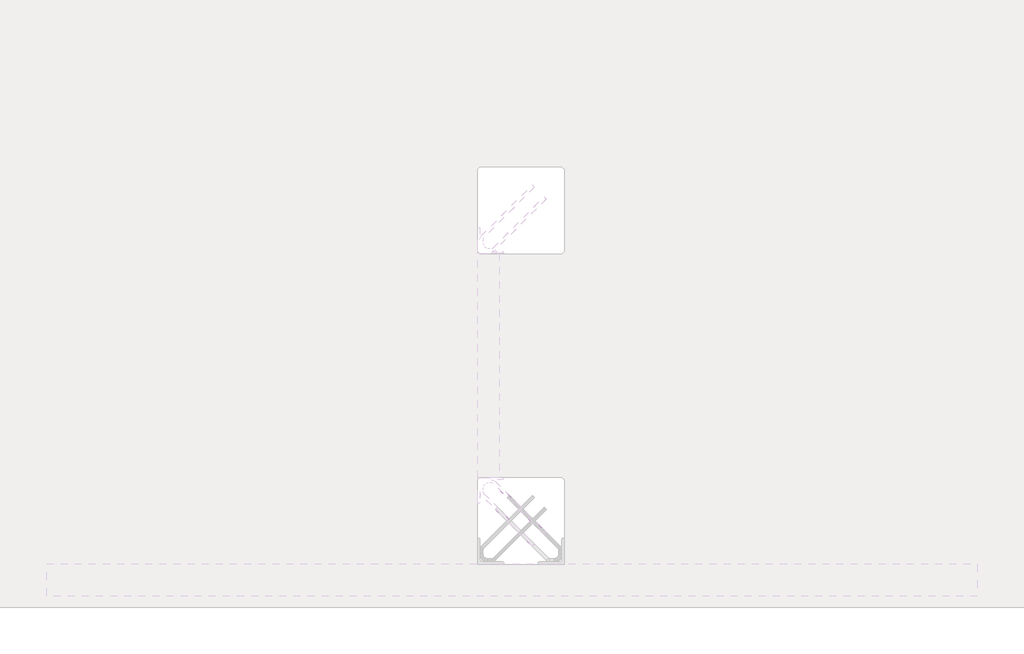
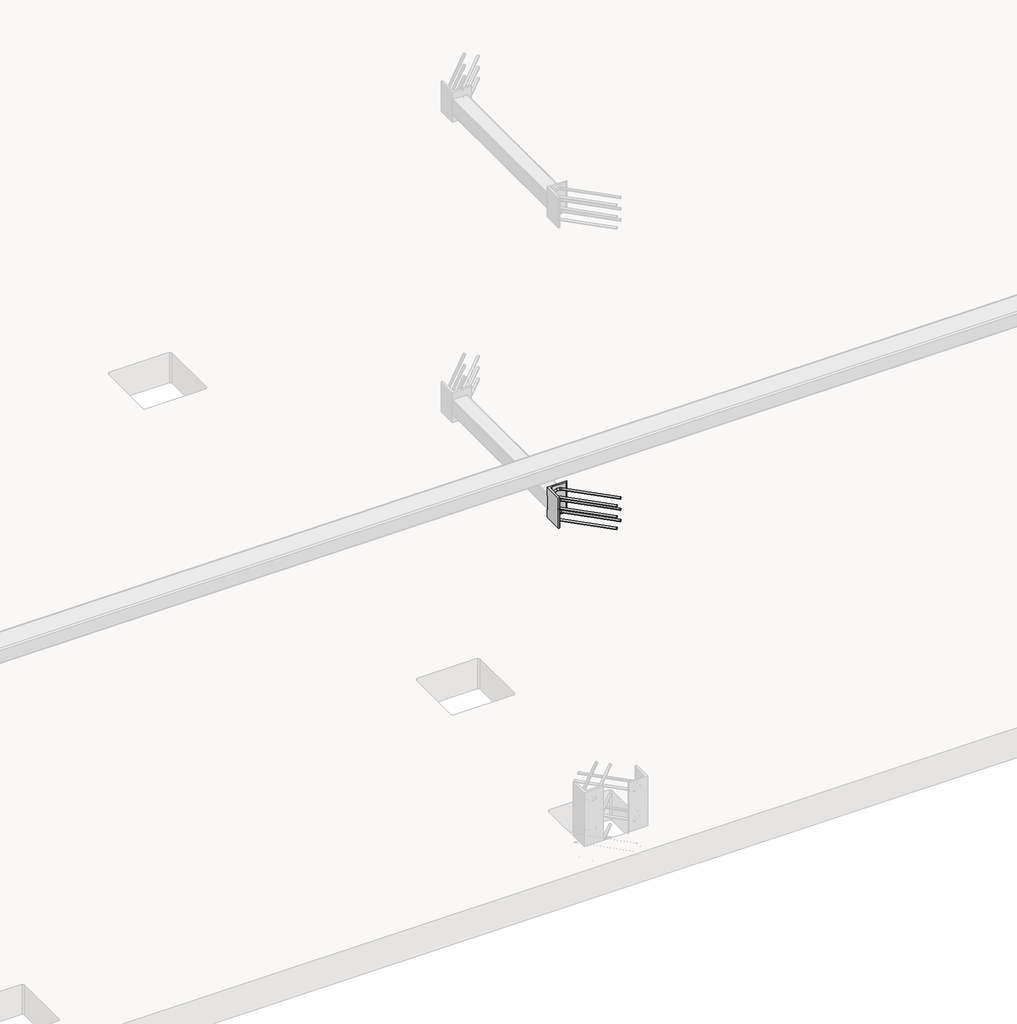
# One storey, part 10 of 65: 1 fastener.
"""IFC4 building model written with IfcOpenShell, lengths in millimetres."""

from ifc_helpers import new_model, si_unit, point, frame, frame_2d, origin, place, context, project, spatial, polyline, circle_curve, ellipse_curve, trimmed, segment, composite_curve, outline, extrude, element, save
from ifc_brep_helpers import plane_surface, cylinder_surface, revolved_surface, advanced_brep

model = new_model("IFC4")

# Units and contexts
model_context = context("Model", 3, world=origin())
ifc_project = project(units=[si_unit("LENGTHUNIT", "METRE", prefix="MILLI")], contexts=[model_context])

# Site, building, storey
site = spatial("IfcSite", under=ifc_project)
building = spatial("IfcBuilding", under=site)
storey = spatial("IfcBuildingStorey", under=building, Elevation=0.0)

# Fastener
placement = place(None, origin())
element("IfcFastener", 1, at=placement, inside=storey, context=model_context, shape_type="SolidModel", body=[
    extrude(outline(composite_curve([segment(polyline([(20650.0, 10200.0), (20770.0, 10200.0), (20770.0, 10196.5)]), True, "CONTINUOUS"), segment(trimmed(circle_curve(frame_2d((20763.5, 10196.5)), 6.5), [point((20770.0, 10196.5))], [point((20763.5, 10190.0))], False, "CARTESIAN"), True, "CONTINUOUS"), segment(polyline([(20763.5, 10190.0), (20673.0, 10190.0)]), True, "CONTINUOUS"), segment(trimmed(circle_curve(frame_2d((20673.0, 10177.0)), 13.0), [point((20673.0, 10190.0))], [point((20660.0, 10177.0))], True, "CARTESIAN"), True, "CONTINUOUS"), segment(polyline([(20660.0, 10177.0), (20660.0, 10086.5)]), True, "CONTINUOUS"), segment(trimmed(circle_curve(frame_2d((20653.5, 10086.5)), 6.5), [point((20660.0, 10086.5))], [point((20653.5, 10080.0))], False, "CARTESIAN"), True, "CONTINUOUS"), segment(polyline([(20653.5, 10080.0), (20650.0, 10080.0), (20650.0, 10200.0)]), True, "CONTINUOUS")], self_intersect=False)), frame((0.0, 0.0, 1950.0), z_axis=(0.0, 0.0, 1.0), x_axis=(1.0, 0.0, 0.0)), (0.0, 0.0, 1.0), 200.0),
    advanced_brep(
    [(20902.5376259, 9882.5628791, 2125.0), (20912.4371209, 9892.4623741, 2125.0), (20967.4371209, 9947.4623741, 2125.0), (20957.5376259, 9937.5628791, 2125.0), (20697.0, 10176.0, 2125.0), (20697.0, 10190.0, 2125.0), (20715.7867966, 10190.0, 2125.0), (20715.7867966, 10176.0, 2125.0), (20674.0, 10153.0, 2125.0), (20660.0, 10153.0, 2125.0), (20674.0, 10134.2132034, 2125.0), (20660.0, 10134.2132034, 2125.0), (20666.4436508, 10118.6568542, 2125.0), (20676.3431458, 10128.5563492, 2125.0), (20721.4436508, 10173.6568542, 2125.0), (20731.3431458, 10183.5563492, 2125.0)],
    [
        (0, 1, circle_curve(frame((20907.4873734, 9887.5126266, 2125.0), z_axis=(0.7071067811865459, -0.7071067811865493, 0.0), x_axis=(0.7071067811865493, 0.7071067811865459, 0.0)), 7.0)),
        (1, 0, circle_curve(frame((20907.4873734, 9887.5126266, 2125.0), z_axis=(0.7071067811865459, -0.7071067811865493, 0.0), x_axis=(0.7071067811865493, 0.7071067811865459, 0.0)), 7.0)),
        (2, 3, circle_curve(frame((20962.4873734, 9942.5126266, 2125.0), z_axis=(0.7071067811865457, -0.7071067811865493, 0.0), x_axis=(-0.7071067811865493, -0.7071067811865457, 0.0)), 7.0)),
        (3, 2, circle_curve(frame((20962.4873734, 9942.5126266, 2125.0), z_axis=(0.7071067811865457, -0.7071067811865493, 0.0), x_axis=(-0.7071067811865493, -0.7071067811865457, 0.0)), 7.0)),
        (4, 5, circle_curve(frame((20697.0, 10183.0, 2125.0), z_axis=(1.0, 0.0, 0.0), x_axis=(0.0, -1.0, 0.0)), 7.0)),
        (5, 6),
        (6, 7, circle_curve(frame((20715.7867966, 10183.0, 2125.0), z_axis=(-1.0, 0.0, 0.0), x_axis=(0.0, -1.0, 0.0)), 7.0)),
        (7, 4),
        (5, 4, circle_curve(frame((20697.0, 10183.0, 2125.0), z_axis=(1.0, 0.0, 0.0), x_axis=(0.0, -1.0, 0.0)), 7.0)),
        (7, 6, circle_curve(frame((20715.7867966, 10183.0, 2125.0), z_axis=(-1.0, 0.0, 0.0), x_axis=(0.0, -1.0, 0.0)), 7.0)),
        (4, 8, circle_curve(frame((20697.0, 10153.0, 2125.0), z_axis=(0.0, 0.0, 1.0), x_axis=(-1.0, 0.0, 0.0)), 23.0)),
        (8, 9, circle_curve(frame((20667.0, 10153.0, 2125.0), z_axis=(0.0, 1.0, 0.0), x_axis=(1.0, 0.0, 0.0)), 7.0)),
        (9, 5, circle_curve(frame((20697.0, 10153.0, 2125.0), z_axis=(0.0, 0.0, -1.0), x_axis=(-1.0, 0.0, 0.0)), 37.0)),
        (9, 8, circle_curve(frame((20667.0, 10153.0, 2125.0), z_axis=(0.0, 1.0, 0.0), x_axis=(1.0, 0.0, 0.0)), 7.0)),
        (10, 11, circle_curve(frame((20667.0, 10134.2132034, 2125.0), z_axis=(0.0, 1.0, 0.0), x_axis=(1.0, 0.0, 0.0)), 7.0)),
        (11, 9),
        (8, 10),
        (11, 10, circle_curve(frame((20667.0, 10134.2132034, 2125.0), z_axis=(0.0, 1.0, 0.0), x_axis=(1.0, 0.0, 0.0)), 7.0)),
        (0, 12),
        (12, 13, circle_curve(frame((20671.3933983, 10123.6066017, 2125.0), z_axis=(0.7071067811865459, -0.7071067811865493, 0.0), x_axis=(0.7071067811865493, 0.7071067811865459, 0.0)), 7.0)),
        (13, 1),
        (13, 12, circle_curve(frame((20671.3933983, 10123.6066017, 2125.0), z_axis=(0.7071067811865459, -0.7071067811865493, 0.0), x_axis=(0.7071067811865493, 0.7071067811865459, 0.0)), 7.0)),
        (10, 13, circle_curve(frame((20682.0, 10134.2132034, 2125.0), z_axis=(0.0, 0.0, 1.0), x_axis=(-0.7071067811865491, -0.7071067811865459, 0.0)), 8.0)),
        (12, 11, circle_curve(frame((20682.0, 10134.2132034, 2125.0), z_axis=(0.0, 0.0, -1.0), x_axis=(-0.7071067811865491, -0.7071067811865459, 0.0)), 22.0)),
        (14, 7, circle_curve(frame((20715.7867966, 10168.0, 2125.0), z_axis=(0.0, 0.0, 1.0), x_axis=(0.0, 1.0, 0.0)), 8.0)),
        (6, 15, circle_curve(frame((20715.7867966, 10168.0, 2125.0), z_axis=(0.0, 0.0, -1.0), x_axis=(0.0, 1.0, 0.0)), 22.0)),
        (15, 14, circle_curve(frame((20726.3933983, 10178.6066017, 2125.0), z_axis=(-0.7071067811865456, 0.7071067811865495, 0.0), x_axis=(-0.7071067811865495, -0.7071067811865456, 0.0)), 7.0)),
        (14, 15, circle_curve(frame((20726.3933983, 10178.6066017, 2125.0), z_axis=(-0.707106781186545, 0.70710678118655, 0.0), x_axis=(-0.70710678118655, -0.707106781186545, 0.0)), 7.0)),
        (15, 2),
        (3, 14),
    ],
    [
        plane_surface(frame((20907.4873734, 9887.5126266, 2125.0), z_axis=(0.7071067811865459, -0.7071067811865493, 0.0), x_axis=(0.0, 0.0, -1.0))),
        plane_surface(frame((20962.4873734, 9942.5126266, 2125.0), z_axis=(0.7071067811865457, -0.7071067811865493, 0.0), x_axis=(0.0, 0.0, -1.0))),
        cylinder_surface(frame((20697.0, 10183.0, 2125.0), z_axis=(-1.0, 0.0, 0.0), x_axis=(0.0, -1.0, 0.0)), 7.0),
        revolved_surface(trimmed(ellipse_curve(frame((20667.0, 10153.0, 2125.0), z_axis=(0.0, -1.0, 0.0), x_axis=(1.0, 0.0, 0.0)), 7.0, 7.0), [point((20660.0, 10153.0, 2125.0))], [point((20674.0, 10153.0, 2125.0))], True, "CARTESIAN"), (20697.0, 10153.0, 2125.0), (0.0, 0.0, -1.0)),
        revolved_surface(trimmed(ellipse_curve(frame((20667.0, 10153.0, 2125.0), z_axis=(0.0, -1.0, 0.0), x_axis=(1.0, 0.0, 0.0)), 7.0, 7.0), [point((20674.0, 10153.0, 2125.0))], [point((20660.0, 10153.0, 2125.0))], True, "CARTESIAN"), (20697.0, 10153.0, 2125.0), (0.0, 0.0, -1.0)),
        cylinder_surface(frame((20667.0, 10134.2132034, 2125.0), z_axis=(0.0, -1.0, 0.0), x_axis=(1.0, 0.0, 0.0)), 7.0),
        cylinder_surface(frame((20907.4873734, 9887.5126266, 2125.0), z_axis=(0.7071067811865459, -0.7071067811865493, 0.0), x_axis=(0.7071067811865493, 0.7071067811865459, 0.0)), 7.0),
        revolved_surface(trimmed(ellipse_curve(frame((20671.3933983, 10123.6066017, 2125.0), z_axis=(0.7071067811865459, -0.7071067811865491, 0.0), x_axis=(0.7071067811865491, 0.7071067811865459, 0.0)), 7.0, 7.0), [point((20666.4436508, 10118.6568542, 2125.0))], [point((20676.3431458, 10128.5563492, 2125.0))], True, "CARTESIAN"), (20682.0, 10134.2132034, 2125.0), (0.0, 0.0, -1.0)),
        revolved_surface(trimmed(ellipse_curve(frame((20671.3933983, 10123.6066017, 2125.0), z_axis=(0.7071067811865459, -0.7071067811865491, 0.0), x_axis=(0.7071067811865491, 0.7071067811865459, 0.0)), 7.0, 7.0), [point((20676.3431458, 10128.5563492, 2125.0))], [point((20666.4436508, 10118.6568542, 2125.0))], True, "CARTESIAN"), (20682.0, 10134.2132034, 2125.0), (0.0, 0.0, -1.0)),
        revolved_surface(trimmed(ellipse_curve(frame((20715.7867966, 10183.0, 2125.0), z_axis=(-1.0, 0.0, 0.0), x_axis=(0.0, -1.0, 0.0)), 7.0, 7.0), [point((20715.7867966, 10190.0, 2125.0))], [point((20715.7867966, 10176.0, 2125.0))], True, "CARTESIAN"), (20715.7867966, 10168.0, 2125.0), (0.0, 0.0, -1.0)),
        revolved_surface(trimmed(ellipse_curve(frame((20715.7867966, 10183.0, 2125.0), z_axis=(-1.0, 0.0, 0.0), x_axis=(0.0, -1.0, 0.0)), 7.0, 7.0), [point((20715.7867966, 10176.0, 2125.0))], [point((20715.7867966, 10190.0, 2125.0))], True, "CARTESIAN"), (20715.7867966, 10168.0, 2125.0), (0.0, 0.0, -1.0)),
        cylinder_surface(frame((20726.3933983, 10178.6066017, 2125.0), z_axis=(-0.7071067811865457, 0.7071067811865493, 0.0), x_axis=(-0.7071067811865493, -0.7071067811865457, 0.0)), 7.0),
    ],
    [
        (0, [[1, 2]]),
        (1, [[3, 4]]),
        (2, [[5, 6, 7, 8]]),
        (2, [[9, -8, 10, -6]]),
        (3, [[11, 12, 13, -5]]),
        (4, [[-13, 14, -11, -9]]),
        (5, [[15, 16, -12, 17]]),
        (5, [[18, -17, -14, -16]]),
        (6, [[-1, 19, 20, 21]]),
        (6, [[-2, -21, 22, -19]]),
        (7, [[23, -20, 24, -15]]),
        (8, [[-24, -22, -23, -18]]),
        (9, [[25, -7, 26, 27]]),
        (10, [[-26, -10, -25, 28]]),
        (11, [[-27, 29, -4, 30]]),
        (11, [[-28, -30, -3, -29]]),
    ],
),
    advanced_brep(
    [(20912.4371209, 9892.4623741, 1975.0), (20902.5376259, 9882.5628791, 1975.0), (20957.5376259, 9937.5628791, 1975.0), (20967.4371209, 9947.4623741, 1975.0), (20697.0, 10190.0, 1975.0), (20697.0, 10176.0, 1975.0), (20715.7867966, 10176.0, 1975.0), (20715.7867966, 10190.0, 1975.0), (20660.0, 10153.0, 1975.0), (20674.0, 10153.0, 1975.0), (20660.0, 10134.2132034, 1975.0), (20674.0, 10134.2132034, 1975.0), (20676.3431458, 10128.5563492, 1975.0), (20666.4436508, 10118.6568542, 1975.0), (20731.3431458, 10183.5563492, 1975.0), (20721.4436508, 10173.6568542, 1975.0)],
    [
        (0, 1, circle_curve(frame((20907.4873734, 9887.5126266, 1975.0), z_axis=(0.7071067811865459, -0.7071067811865493, 0.0), x_axis=(-0.7071067811865493, -0.7071067811865459, 0.0)), 7.0)),
        (1, 0, circle_curve(frame((20907.4873734, 9887.5126266, 1975.0), z_axis=(0.7071067811865459, -0.7071067811865493, 0.0), x_axis=(-0.7071067811865493, -0.7071067811865459, 0.0)), 7.0)),
        (2, 3, circle_curve(frame((20962.4873734, 9942.5126266, 1975.0), z_axis=(0.7071067811865458, -0.7071067811865493, 0.0), x_axis=(0.7071067811865493, 0.7071067811865458, 0.0)), 7.0)),
        (3, 2, circle_curve(frame((20962.4873734, 9942.5126266, 1975.0), z_axis=(0.7071067811865458, -0.7071067811865493, 0.0), x_axis=(0.7071067811865493, 0.7071067811865458, 0.0)), 7.0)),
        (4, 5, circle_curve(frame((20697.0, 10183.0, 1975.0), z_axis=(1.0, 0.0, 0.0), x_axis=(0.0, 1.0, 0.0)), 7.0)),
        (5, 6),
        (6, 7, circle_curve(frame((20715.7867966, 10183.0, 1975.0), z_axis=(-1.0, 0.0, 0.0), x_axis=(0.0, 1.0, 0.0)), 7.0)),
        (7, 4),
        (5, 4, circle_curve(frame((20697.0, 10183.0, 1975.0), z_axis=(1.0, 0.0, 0.0), x_axis=(0.0, 1.0, 0.0)), 7.0)),
        (7, 6, circle_curve(frame((20715.7867966, 10183.0, 1975.0), z_axis=(-1.0, 0.0, 0.0), x_axis=(0.0, 1.0, 0.0)), 7.0)),
        (4, 8, circle_curve(frame((20697.0, 10153.0, 1975.0), z_axis=(0.0, 0.0, 1.0), x_axis=(-1.0, 0.0, 0.0)), 37.0)),
        (8, 9, circle_curve(frame((20667.0, 10153.0, 1975.0), z_axis=(0.0, 1.0, 0.0), x_axis=(-1.0, 0.0, 0.0)), 7.0)),
        (9, 5, circle_curve(frame((20697.0, 10153.0, 1975.0), z_axis=(0.0, 0.0, -1.0), x_axis=(-1.0, 0.0, 0.0)), 23.0)),
        (9, 8, circle_curve(frame((20667.0, 10153.0, 1975.0), z_axis=(0.0, 1.0, 0.0), x_axis=(-1.0, 0.0, 0.0)), 7.0)),
        (10, 11, circle_curve(frame((20667.0, 10134.2132034, 1975.0), z_axis=(0.0, 1.0, 0.0), x_axis=(-1.0, 0.0, 0.0)), 7.0)),
        (11, 9),
        (8, 10),
        (11, 10, circle_curve(frame((20667.0, 10134.2132034, 1975.0), z_axis=(0.0, 1.0, 0.0), x_axis=(-1.0, 0.0, 0.0)), 7.0)),
        (0, 12),
        (12, 13, circle_curve(frame((20671.3933983, 10123.6066017, 1975.0), z_axis=(0.7071067811865459, -0.7071067811865493, 0.0), x_axis=(-0.7071067811865493, -0.7071067811865459, 0.0)), 7.0)),
        (13, 1),
        (13, 12, circle_curve(frame((20671.3933983, 10123.6066017, 1975.0), z_axis=(0.7071067811865459, -0.7071067811865493, 0.0), x_axis=(-0.7071067811865493, -0.7071067811865459, 0.0)), 7.0)),
        (10, 13, circle_curve(frame((20682.0, 10134.2132034, 1975.0), z_axis=(0.0, 0.0, 1.0), x_axis=(-0.7071067811865491, -0.7071067811865459, 0.0)), 22.0)),
        (12, 11, circle_curve(frame((20682.0, 10134.2132034, 1975.0), z_axis=(0.0, 0.0, -1.0), x_axis=(-0.7071067811865491, -0.7071067811865459, 0.0)), 8.0)),
        (14, 7, circle_curve(frame((20715.7867966, 10168.0, 1975.0), z_axis=(0.0, 0.0, 1.0), x_axis=(0.0, 1.0, 0.0)), 22.0)),
        (6, 15, circle_curve(frame((20715.7867966, 10168.0, 1975.0), z_axis=(0.0, 0.0, -1.0), x_axis=(0.0, 1.0, 0.0)), 8.0)),
        (15, 14, circle_curve(frame((20726.3933983, 10178.6066017, 1975.0), z_axis=(-0.7071067811865442, 0.7071067811865508, 0.0), x_axis=(0.7071067811865508, 0.7071067811865442, 0.0)), 7.0)),
        (14, 15, circle_curve(frame((20726.3933983, 10178.6066017, 1975.0), z_axis=(-0.707106781186545, 0.70710678118655, 0.0), x_axis=(0.70710678118655, 0.707106781186545, 0.0)), 7.0)),
        (15, 2),
        (3, 14),
    ],
    [
        plane_surface(frame((20907.4873734, 9887.5126266, 1975.0), z_axis=(0.7071067811865459, -0.7071067811865493, 0.0), x_axis=(0.0, 0.0, 1.0))),
        plane_surface(frame((20962.4873734, 9942.5126266, 1975.0), z_axis=(0.7071067811865458, -0.7071067811865493, 0.0), x_axis=(0.0, 0.0, 1.0))),
        cylinder_surface(frame((20697.0, 10183.0, 1975.0), z_axis=(-1.0, 0.0, 0.0), x_axis=(0.0, 1.0, 0.0)), 7.0),
        revolved_surface(trimmed(ellipse_curve(frame((20667.0, 10153.0, 1975.0), z_axis=(0.0, -1.0, 0.0), x_axis=(-1.0, 0.0, 0.0)), 7.0, 7.0), [point((20674.0, 10153.0, 1975.0))], [point((20660.0, 10153.0, 1975.0))], True, "CARTESIAN"), (20697.0, 10153.0, 1975.0), (0.0, 0.0, -1.0)),
        revolved_surface(trimmed(ellipse_curve(frame((20667.0, 10153.0, 1975.0), z_axis=(0.0, -1.0, 0.0), x_axis=(-1.0, 0.0, 0.0)), 7.0, 7.0), [point((20660.0, 10153.0, 1975.0))], [point((20674.0, 10153.0, 1975.0))], True, "CARTESIAN"), (20697.0, 10153.0, 1975.0), (0.0, 0.0, -1.0)),
        cylinder_surface(frame((20667.0, 10134.2132034, 1975.0), z_axis=(0.0, -1.0, 0.0), x_axis=(-1.0, 0.0, 0.0)), 7.0),
        cylinder_surface(frame((20907.4873734, 9887.5126266, 1975.0), z_axis=(0.7071067811865459, -0.7071067811865493, 0.0), x_axis=(-0.7071067811865493, -0.7071067811865459, 0.0)), 7.0),
        revolved_surface(trimmed(ellipse_curve(frame((20671.3933983, 10123.6066017, 1975.0), z_axis=(0.7071067811865459, -0.7071067811865491, 0.0), x_axis=(-0.7071067811865491, -0.7071067811865459, 0.0)), 7.0, 7.0), [point((20676.3431458, 10128.5563492, 1975.0))], [point((20666.4436508, 10118.6568542, 1975.0))], True, "CARTESIAN"), (20682.0, 10134.2132034, 1975.0), (0.0, 0.0, -1.0)),
        revolved_surface(trimmed(ellipse_curve(frame((20671.3933983, 10123.6066017, 1975.0), z_axis=(0.7071067811865459, -0.7071067811865491, 0.0), x_axis=(-0.7071067811865491, -0.7071067811865459, 0.0)), 7.0, 7.0), [point((20666.4436508, 10118.6568542, 1975.0))], [point((20676.3431458, 10128.5563492, 1975.0))], True, "CARTESIAN"), (20682.0, 10134.2132034, 1975.0), (0.0, 0.0, -1.0)),
        revolved_surface(trimmed(ellipse_curve(frame((20715.7867966, 10183.0, 1975.0), z_axis=(-1.0, 0.0, 0.0), x_axis=(0.0, 1.0, 0.0)), 7.0, 7.0), [point((20715.7867966, 10176.0, 1975.0))], [point((20715.7867966, 10190.0, 1975.0))], True, "CARTESIAN"), (20715.7867966, 10168.0, 1975.0), (0.0, 0.0, -1.0)),
        revolved_surface(trimmed(ellipse_curve(frame((20715.7867966, 10183.0, 1975.0), z_axis=(-1.0, 0.0, 0.0), x_axis=(0.0, 1.0, 0.0)), 7.0, 7.0), [point((20715.7867966, 10190.0, 1975.0))], [point((20715.7867966, 10176.0, 1975.0))], True, "CARTESIAN"), (20715.7867966, 10168.0, 1975.0), (0.0, 0.0, -1.0)),
        cylinder_surface(frame((20726.3933983, 10178.6066017, 1975.0), z_axis=(-0.7071067811865458, 0.7071067811865493, 0.0), x_axis=(0.7071067811865493, 0.7071067811865458, 0.0)), 7.0),
    ],
    [
        (0, [[1, 2]]),
        (1, [[3, 4]]),
        (2, [[5, 6, 7, 8]]),
        (2, [[9, -8, 10, -6]]),
        (3, [[11, 12, 13, -5]]),
        (4, [[-13, 14, -11, -9]]),
        (5, [[15, 16, -12, 17]]),
        (5, [[18, -17, -14, -16]]),
        (6, [[-1, 19, 20, 21]]),
        (6, [[-2, -21, 22, -19]]),
        (7, [[23, -20, 24, -15]]),
        (8, [[-24, -22, -23, -18]]),
        (9, [[25, -7, 26, 27]]),
        (10, [[-26, -10, -25, 28]]),
        (11, [[-27, 29, -4, 30]]),
        (11, [[-28, -30, -3, -29]]),
    ],
),
    advanced_brep(
    [(20912.4371209, 9892.4623741, 2050.0), (20902.5376259, 9882.5628791, 2050.0), (20957.5376259, 9937.5628791, 2050.0), (20967.4371209, 9947.4623741, 2050.0), (20697.0, 10190.0, 2050.0), (20697.0, 10176.0, 2050.0), (20715.7867966, 10176.0, 2050.0), (20715.7867966, 10190.0, 2050.0), (20660.0, 10153.0, 2050.0), (20674.0, 10153.0, 2050.0), (20660.0, 10134.2132034, 2050.0), (20674.0, 10134.2132034, 2050.0), (20676.3431458, 10128.5563492, 2050.0), (20666.4436508, 10118.6568542, 2050.0), (20731.3431458, 10183.5563492, 2050.0), (20721.4436508, 10173.6568542, 2050.0)],
    [
        (0, 1, circle_curve(frame((20907.4873734, 9887.5126266, 2050.0), z_axis=(0.7071067811865458, -0.7071067811865492, 0.0), x_axis=(-0.7071067811865492, -0.7071067811865458, 0.0)), 7.0)),
        (1, 0, circle_curve(frame((20907.4873734, 9887.5126266, 2050.0), z_axis=(0.7071067811865458, -0.7071067811865492, 0.0), x_axis=(-0.7071067811865492, -0.7071067811865458, 0.0)), 7.0)),
        (2, 3, circle_curve(frame((20962.4873734, 9942.5126266, 2050.0), z_axis=(0.7071067811865458, -0.7071067811865493, 0.0), x_axis=(0.7071067811865493, 0.7071067811865458, 0.0)), 7.0)),
        (3, 2, circle_curve(frame((20962.4873734, 9942.5126266, 2050.0), z_axis=(0.7071067811865458, -0.7071067811865493, 0.0), x_axis=(0.7071067811865493, 0.7071067811865458, 0.0)), 7.0)),
        (4, 5, circle_curve(frame((20697.0, 10183.0, 2050.0), z_axis=(1.0, 0.0, 0.0), x_axis=(0.0, 1.0, 0.0)), 7.0)),
        (5, 6),
        (6, 7, circle_curve(frame((20715.7867966, 10183.0, 2050.0), z_axis=(-1.0, 0.0, 0.0), x_axis=(0.0, 1.0, 0.0)), 7.0)),
        (7, 4),
        (5, 4, circle_curve(frame((20697.0, 10183.0, 2050.0), z_axis=(1.0, 0.0, 0.0), x_axis=(0.0, 1.0, 0.0)), 7.0)),
        (7, 6, circle_curve(frame((20715.7867966, 10183.0, 2050.0), z_axis=(-1.0, 0.0, 0.0), x_axis=(0.0, 1.0, 0.0)), 7.0)),
        (4, 8, circle_curve(frame((20697.0, 10153.0, 2050.0), z_axis=(0.0, 0.0, 1.0), x_axis=(-1.0, 0.0, 0.0)), 37.0)),
        (8, 9, circle_curve(frame((20667.0, 10153.0, 2050.0), z_axis=(0.0, 1.0, 0.0), x_axis=(-1.0, 0.0, 0.0)), 7.0)),
        (9, 5, circle_curve(frame((20697.0, 10153.0, 2050.0), z_axis=(0.0, 0.0, -1.0), x_axis=(-1.0, 0.0, 0.0)), 23.0)),
        (9, 8, circle_curve(frame((20667.0, 10153.0, 2050.0), z_axis=(0.0, 1.0, 0.0), x_axis=(-1.0, 0.0, 0.0)), 7.0)),
        (10, 11, circle_curve(frame((20667.0, 10134.2132034, 2050.0), z_axis=(0.0, 1.0, 0.0), x_axis=(-1.0, 0.0, 0.0)), 7.0)),
        (11, 9),
        (8, 10),
        (11, 10, circle_curve(frame((20667.0, 10134.2132034, 2050.0), z_axis=(0.0, 1.0, 0.0), x_axis=(-1.0, 0.0, 0.0)), 7.0)),
        (0, 12),
        (12, 13, circle_curve(frame((20671.3933983, 10123.6066017, 2050.0), z_axis=(0.7071067811865458, -0.7071067811865492, 0.0), x_axis=(-0.7071067811865492, -0.7071067811865458, 0.0)), 7.0)),
        (13, 1),
        (13, 12, circle_curve(frame((20671.3933983, 10123.6066017, 2050.0), z_axis=(0.7071067811865458, -0.7071067811865492, 0.0), x_axis=(-0.7071067811865492, -0.7071067811865458, 0.0)), 7.0)),
        (10, 13, circle_curve(frame((20682.0, 10134.2132034, 2050.0), z_axis=(0.0, 0.0, 1.0), x_axis=(-0.7071067811865491, -0.7071067811865459, 0.0)), 22.0)),
        (12, 11, circle_curve(frame((20682.0, 10134.2132034, 2050.0), z_axis=(0.0, 0.0, -1.0), x_axis=(-0.7071067811865491, -0.7071067811865459, 0.0)), 8.0)),
        (14, 7, circle_curve(frame((20715.7867966, 10168.0, 2050.0), z_axis=(0.0, 0.0, 1.0), x_axis=(0.0, 1.0, 0.0)), 22.0)),
        (6, 15, circle_curve(frame((20715.7867966, 10168.0, 2050.0), z_axis=(0.0, 0.0, -1.0), x_axis=(0.0, 1.0, 0.0)), 8.0)),
        (15, 14, circle_curve(frame((20726.3933983, 10178.6066017, 2050.0), z_axis=(-0.7071067811865457, 0.7071067811865493, 0.0), x_axis=(0.7071067811865493, 0.7071067811865457, 0.0)), 7.0)),
        (14, 15, circle_curve(frame((20726.3933983, 10178.6066017, 2050.0), z_axis=(-0.7071067811865456, 0.7071067811865495, 0.0), x_axis=(0.7071067811865495, 0.7071067811865456, 0.0)), 7.0)),
        (15, 2),
        (3, 14),
    ],
    [
        plane_surface(frame((20907.4873734, 9887.5126266, 2050.0), z_axis=(0.7071067811865458, -0.7071067811865492, 0.0), x_axis=(0.0, 0.0, 1.0))),
        plane_surface(frame((20962.4873734, 9942.5126266, 2050.0), z_axis=(0.7071067811865457, -0.7071067811865495, 0.0), x_axis=(0.0, 0.0, 1.0))),
        cylinder_surface(frame((20697.0, 10183.0, 2050.0), z_axis=(-1.0, 0.0, 0.0), x_axis=(0.0, 1.0, 0.0)), 7.0),
        revolved_surface(trimmed(ellipse_curve(frame((20667.0, 10153.0, 2050.0), z_axis=(0.0, -1.0, 0.0), x_axis=(-1.0, 0.0, 0.0)), 7.0, 7.0), [point((20674.0, 10153.0, 2050.0))], [point((20660.0, 10153.0, 2050.0))], True, "CARTESIAN"), (20697.0, 10153.0, 2050.0), (0.0, 0.0, -1.0)),
        revolved_surface(trimmed(ellipse_curve(frame((20667.0, 10153.0, 2050.0), z_axis=(0.0, -1.0, 0.0), x_axis=(-1.0, 0.0, 0.0)), 7.0, 7.0), [point((20660.0, 10153.0, 2050.0))], [point((20674.0, 10153.0, 2050.0))], True, "CARTESIAN"), (20697.0, 10153.0, 2050.0), (0.0, 0.0, -1.0)),
        cylinder_surface(frame((20667.0, 10134.2132034, 2050.0), z_axis=(0.0, -1.0, 0.0), x_axis=(-1.0, 0.0, 0.0)), 7.0),
        cylinder_surface(frame((20907.4873734, 9887.5126266, 2050.0), z_axis=(0.7071067811865458, -0.7071067811865492, 0.0), x_axis=(-0.7071067811865492, -0.7071067811865458, 0.0)), 7.0),
        revolved_surface(trimmed(ellipse_curve(frame((20671.3933983, 10123.6066017, 2050.0), z_axis=(0.707106781186546, -0.707106781186549, 0.0), x_axis=(-0.707106781186549, -0.707106781186546, 0.0)), 7.0, 7.0), [point((20676.3431458, 10128.5563492, 2050.0))], [point((20666.4436508, 10118.6568542, 2050.0))], True, "CARTESIAN"), (20682.0, 10134.2132034, 2050.0), (0.0, 0.0, -1.0)),
        revolved_surface(trimmed(ellipse_curve(frame((20671.3933983, 10123.6066017, 2050.0), z_axis=(0.707106781186546, -0.707106781186549, 0.0), x_axis=(-0.707106781186549, -0.707106781186546, 0.0)), 7.0, 7.0), [point((20666.4436508, 10118.6568542, 2050.0))], [point((20676.3431458, 10128.5563492, 2050.0))], True, "CARTESIAN"), (20682.0, 10134.2132034, 2050.0), (0.0, 0.0, -1.0)),
        revolved_surface(trimmed(ellipse_curve(frame((20715.7867966, 10183.0, 2050.0), z_axis=(-1.0, 0.0, 0.0), x_axis=(0.0, 1.0, 0.0)), 7.0, 7.0), [point((20715.7867966, 10176.0, 2050.0))], [point((20715.7867966, 10190.0, 2050.0))], True, "CARTESIAN"), (20715.7867966, 10168.0, 2050.0), (0.0, 0.0, -1.0)),
        revolved_surface(trimmed(ellipse_curve(frame((20715.7867966, 10183.0, 2050.0), z_axis=(-1.0, 0.0, 0.0), x_axis=(0.0, 1.0, 0.0)), 7.0, 7.0), [point((20715.7867966, 10190.0, 2050.0))], [point((20715.7867966, 10176.0, 2050.0))], True, "CARTESIAN"), (20715.7867966, 10168.0, 2050.0), (0.0, 0.0, -1.0)),
        cylinder_surface(frame((20726.3933983, 10178.6066017, 2050.0), z_axis=(-0.7071067811865458, 0.7071067811865493, 0.0), x_axis=(0.7071067811865493, 0.7071067811865458, 0.0)), 7.0),
    ],
    [
        (0, [[1, 2]]),
        (1, [[3, 4]]),
        (2, [[5, 6, 7, 8]]),
        (2, [[9, -8, 10, -6]]),
        (3, [[11, 12, 13, -5]]),
        (4, [[-13, 14, -11, -9]]),
        (5, [[15, 16, -12, 17]]),
        (5, [[18, -17, -14, -16]]),
        (6, [[-1, 19, 20, 21]]),
        (6, [[-2, -21, 22, -19]]),
        (7, [[23, -20, 24, -15]]),
        (8, [[-24, -22, -23, -18]]),
        (9, [[25, -7, 26, 27]]),
        (10, [[-26, -10, -25, 28]]),
        (11, [[-27, 29, -4, 30]]),
        (11, [[-28, -30, -3, -29]]),
    ],
),
])

save(model, "model.ifc")
